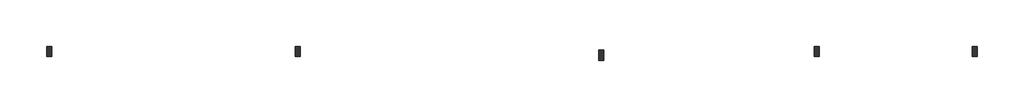
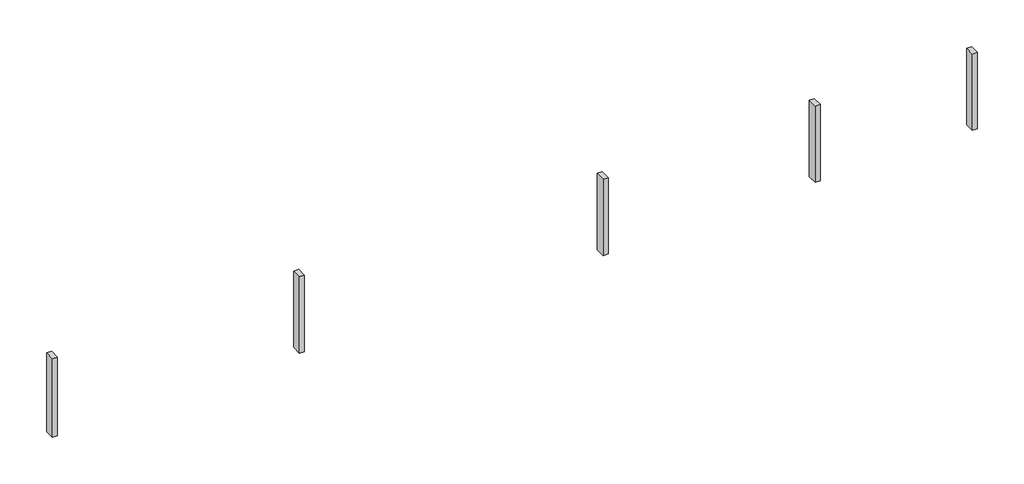
# One storey: 5 columns.
"""IFC4 building model written with IfcOpenShell, lengths in millimetres."""

from ifc_helpers import new_model, si_unit, frame, origin, place, context, project, spatial, polyline, outline, extrude, faceted_brep, element, save

model = new_model("IFC4")

# Units and contexts
model_context = context("Model", 3, world=origin())
ifc_project = project(units=[si_unit("LENGTHUNIT", "METRE", prefix="MILLI")], contexts=[model_context])

# Site, building, storey
site = spatial("IfcSite", under=ifc_project)
building = spatial("IfcBuilding", under=site)
storey = spatial("IfcBuildingStorey", under=building, Elevation=-100.0)

# Columns
placement = place(None, origin())
element("IfcColumn", 1, ObjectType="M_Concrete-Rectangular-Column : 20/40", at=placement, inside=storey, context=model_context, shape_type="SweptSolid", body=[
    extrude(outline(polyline([(20213.4472886, -84753.8602092), (20213.4472886, -84353.8602092), (20413.4472886, -84353.8602092), (20413.4472886, -84753.8602092), (20213.4472886, -84753.8602092)])), frame((0.0, 0.0, -200.0), z_axis=(0.0, 0.0, 1.0), x_axis=(1.0, 0.0, 0.0)), (0.0, 0.0, 1.0), 3300.0),
])
element("IfcColumn", 2, ObjectType="M_Concrete-Rectangular-Column : 20/40", at=placement, inside=storey, context=model_context, shape_type="SweptSolid", body=[
    extrude(outline(polyline([(41953.7408611, -84906.2225305), (41953.7408611, -84506.2225305), (42153.7408611, -84506.2225305), (42153.7408611, -84906.2225305), (41953.7408611, -84906.2225305)])), frame((0.0, 0.0, -100.0), z_axis=(0.0, 0.0, 1.0), x_axis=(1.0, 0.0, 0.0)), (0.0, 0.0, 1.0), 3200.0),
])
element("IfcColumn", 3, ObjectType="M_Concrete-Rectangular-Column : 20/40", at=placement, inside=storey, context=model_context, shape_type="Brep", body=[
    faceted_brep([(56672.2182491, -84753.8602092, -100.0), (56672.2182491, -84353.8602092, -100.0), (56872.2182491, -84353.8602092, -100.0), (56872.2182491, -84753.8602092, -100.0), (56672.2182491, -84753.8602092, 3100.0), (56672.2182491, -84353.8602092, 3100.0), (56871.2590476, -84353.8602092, 3100.0), (56872.2182491, -84353.8602092, 3100.0), (56872.2182491, -84753.8602092, 3100.0), (56871.2590476, -84753.8602092, 3100.0)], [[[0, 1, 2, 3]], [[4, 5, 1, 0]], [[5, 6, 7, 2, 1]], [[7, 8, 3, 2]], [[8, 9, 4, 0, 3]], [[4, 9, 8, 7, 6, 5]]]),
])
element("IfcColumn", 4, ObjectType="M_Concrete-Rectangular-Column : 20/40", at=placement, inside=storey, context=model_context, shape_type="SweptSolid", body=[
    extrude(outline(polyline([(50442.2182491, -84753.8602092), (50442.2182491, -84353.8602092), (50642.2182491, -84353.8602092), (50642.2182491, -84753.8602092), (50442.2182491, -84753.8602092)])), frame((0.0, 0.0, -100.0), z_axis=(0.0, 0.0, 1.0), x_axis=(1.0, 0.0, 0.0)), (0.0, 0.0, 1.0), 3200.0),
])
element("IfcColumn", 5, ObjectType="M_Concrete-Rectangular-Column : 20/40", at=placement, inside=storey, context=model_context, shape_type="SweptSolid", body=[
    extrude(outline(polyline([(30000.4680133, -84753.8602092), (30000.4680133, -84353.8602092), (30200.4680133, -84353.8602092), (30200.4680133, -84753.8602092), (30000.4680133, -84753.8602092)])), frame((0.0, 0.0, -100.0), z_axis=(0.0, 0.0, 1.0), x_axis=(1.0, 0.0, 0.0)), (0.0, 0.0, 1.0), 3200.0),
])

save(model, "model.ifc")
